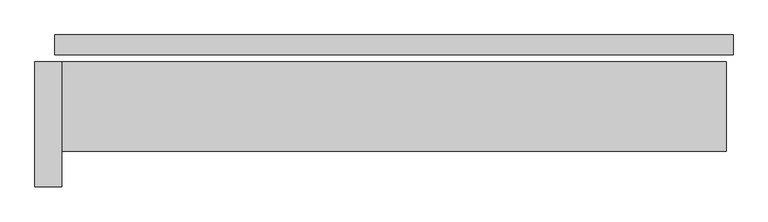
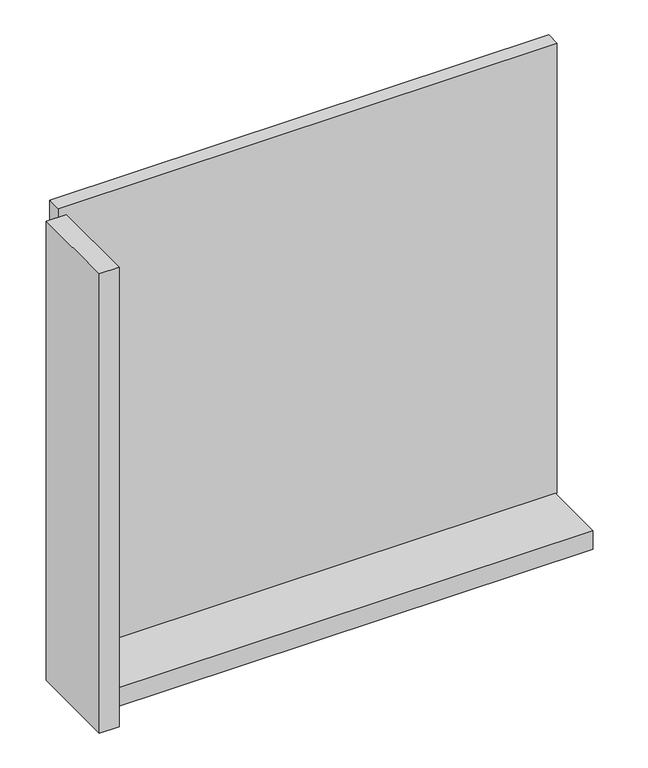
"""IFC4 building model written with IfcOpenShell, lengths in millimetres: plate geometry."""

from ifc_helpers import new_model, si_unit, frame, origin, origin_with_axes, place, context, project, spatial, polyline, outline, extrude, source, transform, mapped, element, save


def plate_9a653b57(model_context):
    return source(origin(), model_context, "Body", "SweptSolid", [
        extrude(outline(polyline([(760.0, 0.0), (760.0, -44.0), (-760.0, -44.0), (-760.0, 0.0), (760.0, 0.0)])), origin_with_axes(), (0.0, 0.0, 1.0), 1447.534293),
        extrude(outline(polyline([(-745.0, -60.0), (-745.0, -340.0), (-805.0, -340.0), (-805.0, -60.0), (-745.0, -60.0)])), frame((0.0, 0.0, -45.0), z_axis=(0.0, 0.0, 1.0), x_axis=(1.0, 0.0, 0.0)), (0.0, 0.0, 1.0), 1477.534293),
        extrude(outline(polyline([(745.0, -260.0), (-745.0, -260.0), (-745.0, -60.0), (745.0, -60.0), (745.0, -260.0)])), frame((0.0, 0.0, -45.0), z_axis=(0.0, 0.0, 1.0), x_axis=(1.0, 0.0, 0.0)), (0.0, 0.0, 1.0), 60.0),
    ])


if __name__ == "__main__":
    model = new_model("IFC4")
    model_context = context("Model", 3, world=origin())
    ifc_project = project(units=[si_unit("LENGTHUNIT", "METRE", prefix="MILLI")], contexts=[model_context])
    site = spatial("IfcSite", under=ifc_project)
    building = spatial("IfcBuilding", under=site)
    placement = place(None, origin())
    plate_shape = plate_9a653b57(model_context)
    element("IfcPlate", 1, at=placement, inside=building, context=model_context, shape_type="MappedRepresentation", body=[
        mapped(plate_shape, transform((0.0, 0.0, 0.0), x_axis=(1.0, 0.0, 0.0), y_axis=(0.0, 1.0, 0.0), z_axis=(0.0, 0.0, 1.0))),
    ])
    save(model, "model.ifc")
